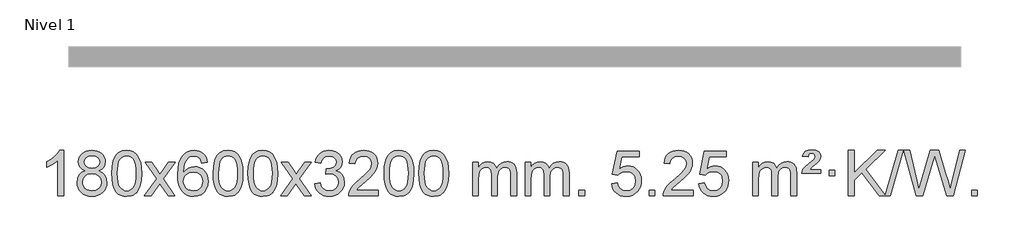
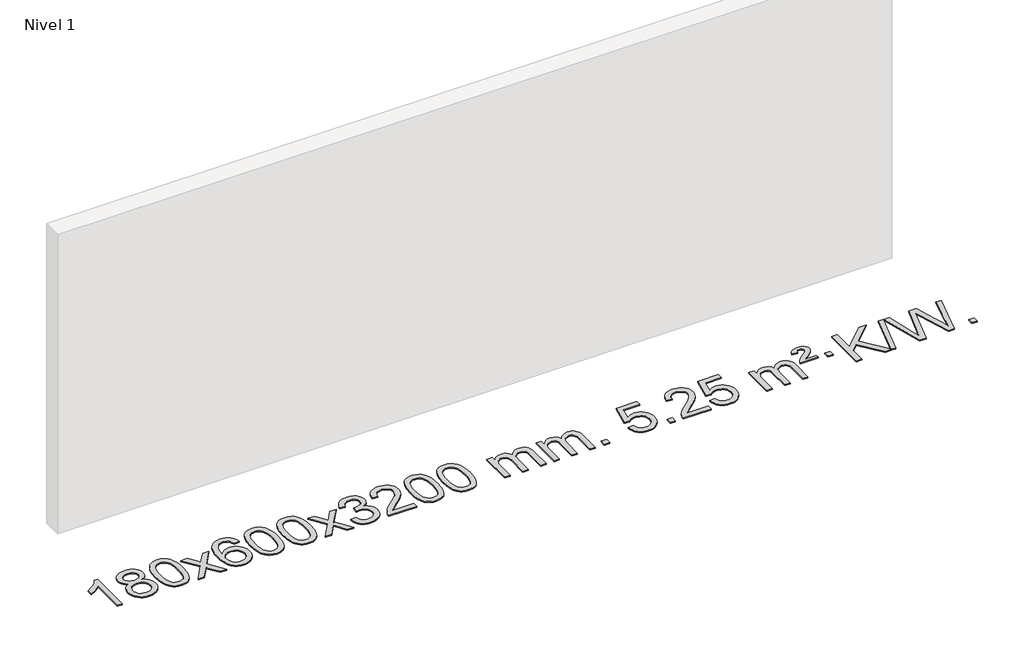
# One storey, part 8 of 16: 1 proxy.
"""IFC4 building model written with IfcOpenShell, lengths in millimetres."""

from ifc_helpers import new_model, si_unit, origin, origin_with_axes, place, context, project, spatial, polyline, outline, extrude, element, save

model = new_model("IFC4")

# Units and contexts
model_context = context("Model", 3, world=origin())
ifc_project = project(units=[si_unit("LENGTHUNIT", "METRE", prefix="MILLI")], contexts=[model_context])

# Site, building, storey
site = spatial("IfcSite", under=ifc_project)
building = spatial("IfcBuilding", under=site)
storey = spatial("IfcBuildingStorey", under=building, Name="Nivel 1", Elevation=0.0)

# Proxy
placement = place(None, origin())
element("IfcBuildingElementProxy", 1, Name="Texto de modelo 1", ObjectType="Texto de modelo 1", at=placement, inside=storey, context=model_context, shape_type="SweptSolid", body=[
    extrude(outline(polyline([(-275.4615788, -21495.579453), (-325.6897338, -21495.579453), (-325.6897338, -21182.4382987), (-346.6590076, -21199.3976587), (-373.2691385, -21216.3324932), (-426.146044, -21241.6918254), (-426.146044, -21194.2105225), (-386.6968314, -21172.7507395), (-352.520594, -21147.219729), (-325.5793692, -21120.0700378), (-307.8351943, -21093.7542124), (-275.4615788, -21093.7542124), (-275.4615788, -21495.579453)])), origin_with_axes(), (0.0, 0.0, 1.0), 10.0),
    extrude(outline(polyline([(-82.9857189, -21274.2616447), (-109.8778927, -21261.0178929), (-128.7502391, -21243.0652515), (-139.8970635, -21220.7716026), (-143.6126717, -21194.5048281), (-141.5893207, -21174.0199324), (-135.5192678, -21155.2395565), (-125.4025129, -21138.1637006), (-111.2390561, -21122.7923645), (-93.709479, -21110.088173), (-73.4943634, -21101.0137504), (-50.5937092, -21095.5690969), (-25.0075164, -21093.7542124), (0.7013036, -21095.6120165), (23.7736361, -21101.1854287), (44.2094809, -21110.4744491), (62.0088381, -21123.4790776), (76.4298124, -21139.1508506), (86.7305082, -21156.4413044), (92.9109257, -21175.3504389), (94.9710649, -21195.8782543), (91.3045077, -21221.2989001), (80.304836, -21243.2124043), (61.8494226, -21261.0546811), (35.8156401, -21274.2616447), (66.7299904, -21290.1909351), (89.2321058, -21313.6495436), (102.9541042, -21343.5092989), (107.5281037, -21378.6420295), (105.259498, -21403.6947933), (98.4536811, -21426.6628926), (87.1106529, -21447.5463272), (71.2304135, -21466.3450971), (51.6468286, -21481.88198), (29.1937642, -21492.9797536), (3.8712202, -21499.6384177), (-24.3208034, -21501.8579724), (-52.512827, -21499.6292206), (-77.835371, -21492.9429654), (-100.2884354, -21481.7992066), (-119.8720203, -21466.1979443), (-135.7522597, -21447.26735), (-147.0952879, -21426.135595), (-153.9011048, -21402.8026795), (-156.1697105, -21377.2686033), (-151.41177, -21340.7747094), (-137.1379486, -21310.7555386), (-114.0840102, -21288.2411605), (-82.9857189, -21274.2616447)]), holes=[polyline([(-93.3845166, -21195.9763561), (-88.9331445, -21217.902123), (-75.5790281, -21235.413306), (-53.7145748, -21246.8912243), (-23.7321922, -21250.717197), (5.5512146, -21246.9157497), (27.0845741, -21235.5114079), (40.3283259, -21218.5888361), (44.7429098, -21198.232699), (40.1811731, -21177.1040098), (26.4959629, -21159.629615), (4.6682978, -21147.8941794), (-24.3208034, -21143.9823675), (-53.4938456, -21147.8083402), (-75.2847225, -21159.2862585), (-88.8595681, -21176.1107284), (-93.3845166, -21195.9763561)]), polyline([(-105.9415554, -21375.5027698), (-103.844628, -21394.7184726), (-97.5538459, -21413.3210389), (-85.9410376, -21429.5446349), (-67.8780316, -21441.623427), (-46.2465703, -21449.1282197), (-23.9283959, -21451.6298173), (10.2601042, -21446.3691048), (24.1537808, -21439.7932141), (35.913742, -21430.5869672), (51.9533969, -21406.6869002), (57.2999486, -21377.0723996), (51.7817187, -21346.9551269), (35.2270289, -21322.5277625), (23.1482367, -21313.0854579), (8.9847799, -21306.3409547), (-25.5961276, -21300.9453521), (-59.3063811, -21306.2673783), (-73.043708, -21312.919911), (-84.7025015, -21322.2334569), (-100.6317919, -21346.1948375), (-105.9415554, -21375.5027698)])]), origin_with_axes(), (0.0, 0.0, 1.0), 10.0),
    extrude(outline(polyline([(151.4777394, -21297.9041943), (155.1688221, -21233.5861588), (166.2420701, -21182.2911459), (184.5871189, -21143.2343407), (196.4451819, -21128.0009605), (210.0936039, -21115.6309284), (225.5783702, -21106.0598651), (242.9454661, -21099.2233914), (283.3266464, -21093.7542124), (314.277785, -21096.991574), (341.9915619, -21106.7036586), (365.1681276, -21122.5103217), (382.5076323, -21144.0314184), (395.6042314, -21171.0830078), (406.05208, -21203.4811488), (412.8946851, -21244.6226186), (415.1755535, -21297.9041943), (411.521259, -21361.8543477), (400.5583756, -21413.0267333), (382.3236913, -21452.1203266), (370.4932195, -21467.3996922), (356.8539945, -21479.8341036), (341.3508341, -21489.4695462), (323.928556, -21496.3520052), (283.3266464, -21501.8579724), (255.6619204, -21499.4667394), (231.1364541, -21492.2930405), (209.7502474, -21480.3368757), (191.5033004, -21463.5982449), (173.9921175, -21433.3399508), (161.4841296, -21395.6381776), (153.9793369, -21350.4929255), (151.4777394, -21297.9041943)]), holes=[polyline([(201.7058944, -21297.8060924), (203.1774224, -21341.4706195), (207.5920064, -21376.8148822), (214.9496463, -21403.8388804), (225.2503421, -21422.5426142), (237.709279, -21435.2682656), (251.5416421, -21444.3580165), (266.7474312, -21449.8118671), (283.3266464, -21451.6298173), (299.9058617, -21449.8057357), (315.1116508, -21444.3334911), (328.9440138, -21435.2130833), (341.4029507, -21422.4445124), (351.7036466, -21403.7101217), (359.0612865, -21376.6922549), (363.4758705, -21341.3909118), (364.9473984, -21297.8060924), (363.5249214, -21255.2973278), (359.2574902, -21220.5753989), (352.145105, -21193.6403055), (342.1877657, -21174.4920476), (329.9372952, -21161.1440625), (315.9455167, -21151.6097875), (300.21243, -21145.8892225), (282.7380352, -21143.9823675), (266.2446591, -21145.6623619), (251.2963874, -21150.7023452), (237.89322, -21159.1023175), (226.0351571, -21170.8622786), (215.3911047, -21191.708925), (207.7882101, -21219.8151094), (203.2264734, -21255.1808319), (201.7058944, -21297.8060924)])]), origin_with_axes(), (0.0, 0.0, 1.0), 10.0),
    extrude(outline(polyline([(440.2896311, -21495.579453), (547.6130718, -21347.2494325), (446.5681504, -21200.4890419), (506.9988995, -21200.4890419), (555.7555266, -21271.122385), (578.5151594, -21304.4770192), (598.2336343, -21277.2047007), (653.7592901, -21200.4890419), (714.1900392, -21200.4890419), (608.0438209, -21347.2494325), (710.2659646, -21495.579453), (649.8352155, -21495.579453), (588.3253459, -21406.4048574), (577.0436314, -21390.1199477), (500.7203801, -21495.579453), (440.2896311, -21495.579453)])), origin_with_axes(), (0.0, 0.0, 1.0), 10.0),
    extrude(outline(polyline([(999.0778563, -21200.4890419), (948.8497012, -21206.7675613), (940.7562973, -21181.874213), (929.8179393, -21164.8780648), (907.0337811, -21149.2062918), (879.4916824, -21143.9823675), (856.1434384, -21147.0235253), (834.1686206, -21156.1469988), (815.2962742, -21175.3627017), (799.8820186, -21201.8134171), (789.4709581, -21239.227016), (785.6081972, -21291.3313693), (805.7558678, -21267.8237098), (829.9011894, -21251.2567573), (856.6952614, -21241.434308), (884.7891831, -21238.1601582), (908.922242, -21240.398107), (931.1913654, -21247.1119534), (951.5965534, -21258.3016975), (970.137806, -21273.9673391), (985.5459302, -21293.1769106), (996.5517332, -21314.9984443), (1003.155215, -21339.4319401), (1005.3563756, -21366.4773982), (1001.2115718, -21402.4439945), (988.7771604, -21435.786366), (969.0832109, -21464.0642287), (943.159793, -21484.8372987), (912.184129, -21497.602804), (877.3334413, -21501.8579724), (847.3909126, -21499.0375437), (820.3485203, -21490.5762579), (796.2062643, -21476.4741147), (774.9641448, -21456.7311143), (757.6460999, -21430.5133908), (745.2760678, -21396.9870783), (737.8540485, -21356.1521768), (735.3800421, -21308.0086864), (738.1268943, -21254.0342663), (746.367451, -21207.9693092), (760.1017122, -21169.8138149), (779.3296778, -21139.5677835), (800.1701928, -21119.5243462), (824.3339085, -21105.2076052), (851.820825, -21096.6175606), (882.6309421, -21093.7542124), (905.7645882, -21095.5261773), (926.7032051, -21100.8420722), (945.4467927, -21109.7018969), (961.9953511, -21122.1056515), (975.9012906, -21137.6364031), (986.7170212, -21155.8772186), (994.4425431, -21176.8280983), (999.0778563, -21200.4890419)]), holes=[polyline([(785.6081972, -21365.6925832), (788.514465, -21387.9494439), (797.2332682, -21409.2007605), (810.7713257, -21427.472233), (828.1353558, -21440.7895612), (849.0923668, -21448.9197533), (873.4093667, -21451.6298173), (906.5555345, -21446.0134855), (920.4706709, -21438.9930708), (932.6138425, -21429.1644901), (942.4638829, -21416.9262824), (949.499626, -21402.6769865), (955.1282206, -21368.1451299), (949.5732024, -21334.9989621), (942.6294298, -21321.3781312), (932.9081481, -21309.725469), (920.7281883, -21300.3904634), (906.4083817, -21293.7226022), (871.3492275, -21288.3883133), (838.2521107, -21293.7226022), (810.5751219, -21309.725469), (799.6520924, -21321.2248471), (791.8499284, -21334.3858254), (787.16863, -21349.2084042), (785.6081972, -21365.6925832)])]), origin_with_axes(), (0.0, 0.0, 1.0), 10.0),
    extrude(outline(polyline([(1049.3060113, -21297.9041943), (1052.997094, -21233.5861588), (1064.0703421, -21182.2911459), (1082.4153909, -21143.2343407), (1094.2734539, -21128.0009605), (1107.9218759, -21115.6309284), (1123.4066422, -21106.0598651), (1140.7737381, -21099.2233914), (1181.1549184, -21093.7542124), (1212.1060569, -21096.991574), (1239.8198339, -21106.7036586), (1262.9963996, -21122.5103217), (1280.3359043, -21144.0314184), (1293.4325033, -21171.0830078), (1303.880352, -21203.4811488), (1310.7229571, -21244.6226186), (1313.0038255, -21297.9041943), (1309.349531, -21361.8543477), (1298.3866475, -21413.0267333), (1280.1519633, -21452.1203266), (1268.3214915, -21467.3996922), (1254.6822665, -21479.8341036), (1239.1791061, -21489.4695462), (1221.7568279, -21496.3520052), (1181.1549184, -21501.8579724), (1153.4901924, -21499.4667394), (1128.964726, -21492.2930405), (1107.5785194, -21480.3368757), (1089.3315724, -21463.5982449), (1071.8203894, -21433.3399508), (1059.3124016, -21395.6381776), (1051.8076089, -21350.4929255), (1049.3060113, -21297.9041943)]), holes=[polyline([(1099.5341664, -21297.8060924), (1101.0056944, -21341.4706195), (1105.4202783, -21376.8148822), (1112.7779182, -21403.8388804), (1123.0786141, -21422.5426142), (1135.537551, -21435.2682656), (1149.369914, -21444.3580165), (1164.5757032, -21449.8118671), (1181.1549184, -21451.6298173), (1197.7341337, -21449.8057357), (1212.9399228, -21444.3334911), (1226.7722858, -21435.2130833), (1239.2312227, -21422.4445124), (1249.5319186, -21403.7101217), (1256.8895585, -21376.6922549), (1261.3041424, -21341.3909118), (1262.7756704, -21297.8060924), (1261.3531934, -21255.2973278), (1257.0857622, -21220.5753989), (1249.973377, -21193.6403055), (1240.0160376, -21174.4920476), (1227.7655672, -21161.1440625), (1213.7737886, -21151.6097875), (1198.040702, -21145.8892225), (1180.5663072, -21143.9823675), (1164.0729311, -21145.6623619), (1149.1246594, -21150.7023452), (1135.721492, -21159.1023175), (1123.863429, -21170.8622786), (1113.2193766, -21191.708925), (1105.6164821, -21219.8151094), (1101.0547453, -21255.1808319), (1099.5341664, -21297.8060924)])]), origin_with_axes(), (0.0, 0.0, 1.0), 10.0),
    extrude(outline(polyline([(1356.9534612, -21297.9041943), (1360.6445439, -21233.5861588), (1371.7177919, -21182.2911459), (1390.0628407, -21143.2343407), (1401.9209037, -21128.0009605), (1415.5693257, -21115.6309284), (1431.054092, -21106.0598651), (1448.4211879, -21099.2233914), (1488.8023682, -21093.7542124), (1519.7535068, -21096.991574), (1547.4672837, -21106.7036586), (1570.6438494, -21122.5103217), (1587.9833541, -21144.0314184), (1601.0799532, -21171.0830078), (1611.5278018, -21203.4811488), (1618.3704069, -21244.6226186), (1620.6512753, -21297.9041943), (1616.9969808, -21361.8543477), (1606.0340974, -21413.0267333), (1587.7994131, -21452.1203266), (1575.9689413, -21467.3996922), (1562.3297163, -21479.8341036), (1546.8265559, -21489.4695462), (1529.4042778, -21496.3520052), (1488.8023682, -21501.8579724), (1461.1376422, -21499.4667394), (1436.6121759, -21492.2930405), (1415.2259692, -21480.3368757), (1396.9790222, -21463.5982449), (1379.4678393, -21433.3399508), (1366.9598514, -21395.6381776), (1359.4550587, -21350.4929255), (1356.9534612, -21297.9041943)]), holes=[polyline([(1407.1816162, -21297.8060924), (1408.6531442, -21341.4706195), (1413.0677282, -21376.8148822), (1420.4253681, -21403.8388804), (1430.7260639, -21422.5426142), (1443.1850008, -21435.2682656), (1457.0173639, -21444.3580165), (1472.223153, -21449.8118671), (1488.8023682, -21451.6298173), (1505.3815835, -21449.8057357), (1520.5873726, -21444.3334911), (1534.4197356, -21435.2130833), (1546.8786725, -21422.4445124), (1557.1793684, -21403.7101217), (1564.5370083, -21376.6922549), (1568.9515923, -21341.3909118), (1570.4231202, -21297.8060924), (1569.0006432, -21255.2973278), (1564.733212, -21220.5753989), (1557.6208268, -21193.6403055), (1547.6634875, -21174.4920476), (1535.413017, -21161.1440625), (1521.4212385, -21151.6097875), (1505.6881518, -21145.8892225), (1488.213757, -21143.9823675), (1471.7203809, -21145.6623619), (1456.7721092, -21150.7023452), (1443.3689418, -21159.1023175), (1431.5108789, -21170.8622786), (1420.8668265, -21191.708925), (1413.2639319, -21219.8151094), (1408.7021952, -21255.1808319), (1407.1816162, -21297.8060924)])]), origin_with_axes(), (0.0, 0.0, 1.0), 10.0),
    extrude(outline(polyline([(1645.7653528, -21495.579453), (1753.0887936, -21347.2494325), (1652.0438722, -21200.4890419), (1712.4746213, -21200.4890419), (1761.2312484, -21271.122385), (1783.9908812, -21304.4770192), (1803.7093561, -21277.2047007), (1859.2350119, -21200.4890419), (1919.665761, -21200.4890419), (1813.5195426, -21347.2494325), (1915.7416864, -21495.579453), (1855.3109373, -21495.579453), (1793.8010677, -21406.4048574), (1782.5193532, -21390.1199477), (1706.1961019, -21495.579453), (1645.7653528, -21495.579453)])), origin_with_axes(), (0.0, 0.0, 1.0), 10.0),
    extrude(outline(polyline([(1947.1342833, -21388.8446235), (1997.3624384, -21382.5661041), (2008.6073647, -21414.1303793), (2025.0762153, -21435.4430095), (2047.5783307, -21447.5831154), (2076.9230512, -21451.6298173), (2111.3568059, -21446.0625364), (2125.6306274, -21439.1034354), (2137.9424115, -21429.3606939), (2154.9385596, -21404.4428201), (2160.6039424, -21374.2274455), (2154.9876106, -21345.5449126), (2138.1386152, -21322.2825078), (2112.6321302, -21306.8682522), (2081.0433295, -21301.730167), (2045.8247599, -21307.2238715), (2051.4165662, -21256.9957164), (2059.4609192, -21257.5843276), (2089.5536664, -21253.979084), (2116.4581029, -21243.1633534), (2127.531351, -21234.9841103), (2135.4408139, -21224.8673555), (2140.1864916, -21212.8130888), (2141.7683842, -21198.8213102), (2137.182122, -21177.1285352), (2123.4233354, -21159.5315131), (2102.4295362, -21147.8696539), (2076.1382363, -21143.9823675), (2049.7978854, -21147.9064421), (2028.264526, -21159.6786659), (2012.543702, -21179.299039), (2003.6409578, -21206.7675613), (1953.4128027, -21200.4890419), (1959.3663596, -21176.5092672), (1968.2016589, -21155.3867093), (1979.9187004, -21137.1213683), (1994.5174843, -21121.713244), (2011.5381579, -21109.4811677), (2030.5208689, -21100.7439703), (2051.4656171, -21095.5016519), (2074.3724027, -21093.7542124), (2105.9489406, -21097.2000404), (2134.9503046, -21107.5375245), (2159.4021945, -21123.8469596), (2177.3303104, -21145.2086408), (2188.3299821, -21169.8199463), (2191.9965393, -21195.8782543), (2188.5139231, -21220.1584659), (2178.0660744, -21242.1823347), (2160.8001461, -21260.9443165), (2136.8632909, -21275.4388671), (2168.3049388, -21288.1430586), (2191.6041318, -21309.77452), (2206.025106, -21339.1560286), (2210.8320974, -21375.1103623), (2208.4286017, -21400.5923218), (2201.2181146, -21424.0631931), (2189.2006361, -21445.5229762), (2172.3761662, -21464.971671), (2151.8790077, -21481.1094278), (2128.8434634, -21492.636397), (2103.2695334, -21499.5525785), (2075.1572176, -21501.8579724), (2049.7488345, -21499.8898037), (2026.5967943, -21493.9852977), (2005.7010969, -21484.1444543), (1987.0617425, -21470.3672736), (1971.4328891, -21453.4630959), (1959.5686947, -21434.2412617), (1951.4691595, -21412.7017708), (1947.1342833, -21388.8446235)])), origin_with_axes(), (0.0, 0.0, 1.0), 10.0),
    extrude(outline(polyline([(2512.2010279, -21445.3512979), (2512.2010279, -21495.579453), (2248.5032137, -21495.579453), (2249.6068597, -21477.8965918), (2253.8988163, -21460.9494945), (2266.2841768, -21433.8856424), (2284.4084965, -21407.6311307), (2310.62622, -21380.1503456), (2347.2917922, -21349.4076736), (2401.4930728, -21301.2641831), (2434.0138412, -21265.7267824), (2450.2742254, -21236.884834), (2455.6943534, -21208.8277005), (2450.5807937, -21183.6768347), (2435.2401145, -21162.7688747), (2411.6588786, -21148.6789943), (2381.8236488, -21143.9823675), (2350.4923655, -21148.5686297), (2326.1508402, -21162.3274163), (2310.442279, -21184.1796068), (2305.0098882, -21213.0460807), (2254.7817331, -21206.7675613), (2259.1012809, -21180.838012), (2266.9586272, -21158.1826125), (2278.353772, -21138.8013627), (2293.2867153, -21122.6942627), (2311.4141006, -21110.0329907), (2332.3925714, -21100.989225), (2356.2221276, -21095.5629655), (2382.9027693, -21093.7542124), (2409.8225343, -21095.7653006), (2433.7808492, -21101.7985654), (2454.7777141, -21111.8540066), (2472.8131289, -21125.9316242), (2487.2984825, -21142.9890861), (2497.6451636, -21161.9840598), (2503.8531723, -21182.9165453), (2505.9225085, -21205.7865427), (2503.6906911, -21229.8092369), (2496.9952388, -21253.4149983), (2485.1126503, -21277.4254299), (2467.3194245, -21302.6621347), (2438.9557226, -21332.7916701), (2395.3617062, -21371.4805933), (2337.5797075, -21419.795762), (2314.9181766, -21445.3512979), (2512.2010279, -21445.3512979)])), origin_with_axes(), (0.0, 0.0, 1.0), 10.0),
    extrude(outline(polyline([(2562.429183, -21297.9041943), (2566.1202656, -21233.5861588), (2577.1935137, -21182.2911459), (2595.5385625, -21143.2343407), (2607.3966255, -21128.0009605), (2621.0450475, -21115.6309284), (2636.5298138, -21106.0598651), (2653.8969097, -21099.2233914), (2694.27809, -21093.7542124), (2725.2292286, -21096.991574), (2752.9430055, -21106.7036586), (2776.1195712, -21122.5103217), (2793.4590759, -21144.0314184), (2806.555675, -21171.0830078), (2817.0035236, -21203.4811488), (2823.8461287, -21244.6226186), (2826.1269971, -21297.9041943), (2822.4727026, -21361.8543477), (2811.5098192, -21413.0267333), (2793.2751349, -21452.1203266), (2781.4446631, -21467.3996922), (2767.8054381, -21479.8341036), (2752.3022777, -21489.4695462), (2734.8799996, -21496.3520052), (2694.27809, -21501.8579724), (2666.613364, -21499.4667394), (2642.0878976, -21492.2930405), (2620.701691, -21480.3368757), (2602.454744, -21463.5982449), (2584.9435611, -21433.3399508), (2572.4355732, -21395.6381776), (2564.9307805, -21350.4929255), (2562.429183, -21297.9041943)]), holes=[polyline([(2612.657338, -21297.8060924), (2614.128866, -21341.4706195), (2618.54345, -21376.8148822), (2625.9010899, -21403.8388804), (2636.2017857, -21422.5426142), (2648.6607226, -21435.2682656), (2662.4930856, -21444.3580165), (2677.6988748, -21449.8118671), (2694.27809, -21451.6298173), (2710.8573053, -21449.8057357), (2726.0630944, -21444.3334911), (2739.8954574, -21435.2130833), (2752.3543943, -21422.4445124), (2762.6550902, -21403.7101217), (2770.0127301, -21376.6922549), (2774.427314, -21341.3909118), (2775.898842, -21297.8060924), (2774.476365, -21255.2973278), (2770.2089338, -21220.5753989), (2763.0965486, -21193.6403055), (2753.1392093, -21174.4920476), (2740.8887388, -21161.1440625), (2726.8969603, -21151.6097875), (2711.1638736, -21145.8892225), (2693.6894788, -21143.9823675), (2677.1961027, -21145.6623619), (2662.247831, -21150.7023452), (2648.8446636, -21159.1023175), (2636.9866007, -21170.8622786), (2626.3425483, -21191.708925), (2618.7396537, -21219.8151094), (2614.1779169, -21255.1808319), (2612.657338, -21297.8060924)])]), origin_with_axes(), (0.0, 0.0, 1.0), 10.0),
    extrude(outline(polyline([(2870.0766328, -21297.9041943), (2873.7677155, -21233.5861588), (2884.8409635, -21182.2911459), (2903.1860124, -21143.2343407), (2915.0440753, -21128.0009605), (2928.6924974, -21115.6309284), (2944.1772637, -21106.0598651), (2961.5443595, -21099.2233914), (3001.9255399, -21093.7542124), (3032.8766784, -21096.991574), (3060.5904554, -21106.7036586), (3083.7670211, -21122.5103217), (3101.1065258, -21144.0314184), (3114.2031248, -21171.0830078), (3124.6509735, -21203.4811488), (3131.4935786, -21244.6226186), (3133.7744469, -21297.9041943), (3130.1201525, -21361.8543477), (3119.157269, -21413.0267333), (3100.9225848, -21452.1203266), (3089.0921129, -21467.3996922), (3075.452888, -21479.8341036), (3059.9497276, -21489.4695462), (3042.5274494, -21496.3520052), (3001.9255399, -21501.8579724), (2974.2608138, -21499.4667394), (2949.7353475, -21492.2930405), (2928.3491408, -21480.3368757), (2910.1021939, -21463.5982449), (2892.5910109, -21433.3399508), (2880.0830231, -21395.6381776), (2872.5782304, -21350.4929255), (2870.0766328, -21297.9041943)]), holes=[polyline([(2920.3047879, -21297.8060924), (2921.7763158, -21341.4706195), (2926.1908998, -21376.8148822), (2933.5485397, -21403.8388804), (2943.8492356, -21422.5426142), (2956.3081725, -21435.2682656), (2970.1405355, -21444.3580165), (2985.3463246, -21449.8118671), (3001.9255399, -21451.6298173), (3018.5047551, -21449.8057357), (3033.7105442, -21444.3334911), (3047.5429073, -21435.2130833), (3060.0018442, -21422.4445124), (3070.30254, -21403.7101217), (3077.6601799, -21376.6922549), (3082.0747639, -21341.3909118), (3083.5462919, -21297.8060924), (3082.1238148, -21255.2973278), (3077.8563837, -21220.5753989), (3070.7439984, -21193.6403055), (3060.7866591, -21174.4920476), (3048.5361887, -21161.1440625), (3034.5444101, -21151.6097875), (3018.8113234, -21145.8892225), (3001.3369287, -21143.9823675), (2984.8435526, -21145.6623619), (2969.8952808, -21150.7023452), (2956.4921135, -21159.1023175), (2944.6340505, -21170.8622786), (2933.9899981, -21191.708925), (2926.3871035, -21219.8151094), (2921.8253668, -21255.1808319), (2920.3047879, -21297.8060924)])]), origin_with_axes(), (0.0, 0.0, 1.0), 10.0),
    extrude(outline(polyline([(3347.244106, -21495.579453), (3347.244106, -21200.4890419), (3397.4722611, -21200.4890419), (3397.4722611, -21249.0494653), (3412.5799483, -21226.7435537), (3432.0041177, -21209.2691589), (3455.0825815, -21197.9751816), (3481.1531522, -21194.2105225), (3509.0876584, -21198.048758), (3531.4794092, -21209.5634645), (3548.2057772, -21227.9943524), (3559.1441352, -21252.5811324), (3577.4523959, -21227.0439906), (3598.3358304, -21208.803175), (3621.794439, -21197.8586857), (3647.8282215, -21194.2105225), (3667.9360383, -21195.7280358), (3685.585177, -21200.2805755), (3700.7756377, -21207.8681416), (3713.5074204, -21218.4907342), (3723.5720587, -21232.2709806), (3730.761086, -21249.3315082), (3735.0745024, -21269.6723168), (3736.5123078, -21293.2934066), (3736.5123078, -21495.579453), (3686.2841528, -21495.579453), (3686.2841528, -21314.875817), (3685.1191931, -21289.8230531), (3681.6243142, -21272.9372695), (3675.0760146, -21261.3735121), (3664.7507933, -21252.2868268), (3651.4702533, -21246.4007149), (3636.0559977, -21244.4386776), (3608.8449928, -21249.4663982), (3586.6617085, -21264.54956), (3578.0563355, -21276.1194488), (3571.9096405, -21290.7182326), (3566.9922845, -21329.0024856), (3566.9922845, -21495.579453), (3516.7641294, -21495.579453), (3516.7641294, -21309.2840106), (3513.8578616, -21280.8835206), (3505.1390583, -21260.6254854), (3489.7983791, -21248.4853796), (3467.0264836, -21244.4386776), (3447.6758907, -21247.1364789), (3429.8458767, -21255.2298828), (3415.1305968, -21268.5226856), (3405.1242066, -21286.8186835), (3399.3852475, -21312.2025411), (3397.4722611, -21346.7589232), (3397.4722611, -21495.579453), (3347.244106, -21495.579453)])), origin_with_axes(), (0.0, 0.0, 1.0), 10.0),
    extrude(outline(polyline([(3811.8545404, -21495.579453), (3811.8545404, -21200.4890419), (3862.0826955, -21200.4890419), (3862.0826955, -21249.0494653), (3877.1903828, -21226.7435537), (3896.6145521, -21209.2691589), (3919.693016, -21197.9751816), (3945.7635867, -21194.2105225), (3973.6980929, -21198.048758), (3996.0898436, -21209.5634645), (4012.8162117, -21227.9943524), (4023.7545697, -21252.5811324), (4042.0628303, -21227.0439906), (4062.9462649, -21208.803175), (4086.4048734, -21197.8586857), (4112.438656, -21194.2105225), (4132.5464727, -21195.7280358), (4150.1956114, -21200.2805755), (4165.3860721, -21207.8681416), (4178.1178548, -21218.4907342), (4188.1824931, -21232.2709806), (4195.3715204, -21249.3315082), (4199.6849368, -21269.6723168), (4201.1227423, -21293.2934066), (4201.1227423, -21495.579453), (4150.8945872, -21495.579453), (4150.8945872, -21314.875817), (4149.7296276, -21289.8230531), (4146.2347486, -21272.9372695), (4139.6864491, -21261.3735121), (4129.3612278, -21252.2868268), (4116.0806877, -21246.4007149), (4100.6664321, -21244.4386776), (4073.4554272, -21249.4663982), (4051.2721429, -21264.54956), (4042.6667699, -21276.1194488), (4036.5200749, -21290.7182326), (4031.6027189, -21329.0024856), (4031.6027189, -21495.579453), (3981.3745638, -21495.579453), (3981.3745638, -21309.2840106), (3978.4682961, -21280.8835206), (3969.7494928, -21260.6254854), (3954.4088136, -21248.4853796), (3931.6369181, -21244.4386776), (3912.2863251, -21247.1364789), (3894.4563111, -21255.2298828), (3879.7410313, -21268.5226856), (3869.734641, -21286.8186835), (3863.9956819, -21312.2025411), (3862.0826955, -21346.7589232), (3862.0826955, -21495.579453), (3811.8545404, -21495.579453)])), origin_with_axes(), (0.0, 0.0, 1.0), 10.0),
    extrude(outline(polyline([(4289.0220137, -21495.579453), (4289.0220137, -21445.3512979), (4339.2501687, -21445.3512979), (4339.2501687, -21495.579453), (4289.0220137, -21495.579453)])), origin_with_axes(), (0.0, 0.0, 1.0), 10.0),
    extrude(outline(polyline([(4577.8339053, -21388.8446235), (4628.0620604, -21382.5661041), (4637.2836358, -21412.7201649), (4653.3723417, -21434.3148381), (4676.2546018, -21447.3010725), (4705.8568397, -21451.6298173), (4724.9867034, -21450.1245668), (4741.8602243, -21445.6088153), (4756.4774022, -21438.0825628), (4768.8382372, -21427.5458094), (4778.6668179, -21414.519721), (4785.6872326, -21399.5254641), (4791.3035644, -21363.6324441), (4786.0428519, -21329.8363514), (4779.4669612, -21315.9181493), (4770.2607143, -21303.9865099), (4758.3934543, -21294.4154467), (4743.8345243, -21287.5789729), (4706.6416546, -21282.1097939), (4682.2756038, -21284.2925604), (4662.5448661, -21290.8408599), (4646.787254, -21300.8717757), (4634.3405798, -21313.5023908), (4584.1124247, -21307.2238715), (4628.0620604, -21100.0327318), (4822.6961613, -21100.0327318), (4822.6961613, -21150.2608869), (4668.6762327, -21150.2608869), (4647.1919242, -21260.919791), (4664.917705, -21248.2155994), (4683.0726814, -21239.1411769), (4701.6568535, -21233.6965234), (4720.6702213, -21231.8816388), (4745.1313083, -21234.1318504), (4767.5997012, -21240.882485), (4788.0753999, -21252.1335427), (4806.5584045, -21267.8850234), (4821.8592298, -21287.1743027), (4832.7883907, -21309.038756), (4839.3458873, -21333.4783832), (4841.5317195, -21360.4931844), (4839.5635508, -21386.5147042), (4833.6590448, -21410.7213394), (4823.8182014, -21433.1130902), (4810.0410207, -21453.6899565), (4789.1698488, -21474.7634634), (4764.8160608, -21489.8159684), (4736.9796565, -21498.8474714), (4705.6606359, -21501.8579724), (4679.7402837, -21499.9235262), (4656.3276604, -21494.1201877), (4635.422766, -21484.447957), (4617.0256006, -21470.9068338), (4601.7186439, -21454.1712688), (4590.0843758, -21434.915712), (4582.1227963, -21413.1401636), (4577.8339053, -21388.8446235)])), origin_with_axes(), (0.0, 0.0, 1.0), 10.0),
    extrude(outline(polyline([(4910.5954327, -21495.579453), (4910.5954327, -21445.3512979), (4960.8235878, -21445.3512979), (4960.8235878, -21495.579453), (4910.5954327, -21495.579453)])), origin_with_axes(), (0.0, 0.0, 1.0), 10.0),
    extrude(outline(polyline([(5299.8636345, -21445.3512979), (5299.8636345, -21495.579453), (5036.1658204, -21495.579453), (5037.2694664, -21477.8965918), (5041.561423, -21460.9494945), (5053.9467835, -21433.8856424), (5072.0711031, -21407.6311307), (5098.2888266, -21380.1503456), (5134.9543988, -21349.4076736), (5189.1556795, -21301.2641831), (5221.6764478, -21265.7267824), (5237.936832, -21236.884834), (5243.3569601, -21208.8277005), (5238.2434003, -21183.6768347), (5222.9027211, -21162.7688747), (5199.3214853, -21148.6789943), (5169.4862554, -21143.9823675), (5138.1549722, -21148.5686297), (5113.8134468, -21162.3274163), (5098.1048856, -21184.1796068), (5092.6724949, -21213.0460807), (5042.4443398, -21206.7675613), (5046.7638875, -21180.838012), (5054.6212338, -21158.1826125), (5066.0163786, -21138.8013627), (5080.9493219, -21122.6942627), (5099.0767073, -21110.0329907), (5120.055178, -21100.989225), (5143.8847343, -21095.5629655), (5170.565376, -21093.7542124), (5197.485141, -21095.7653006), (5221.4434559, -21101.7985654), (5242.4403208, -21111.8540066), (5260.4757356, -21125.9316242), (5274.9610891, -21142.9890861), (5285.3077703, -21161.9840598), (5291.5157789, -21182.9165453), (5293.5851152, -21205.7865427), (5291.3532977, -21229.8092369), (5284.6578454, -21253.4149983), (5272.775257, -21277.4254299), (5254.9820311, -21302.6621347), (5226.6183293, -21332.7916701), (5183.0243129, -21371.4805933), (5125.2423142, -21419.795762), (5102.5807833, -21445.3512979), (5299.8636345, -21445.3512979)])), origin_with_axes(), (0.0, 0.0, 1.0), 10.0),
    extrude(outline(polyline([(5350.0917896, -21388.8446235), (5400.3199447, -21382.5661041), (5409.54152, -21412.7201649), (5425.630226, -21434.3148381), (5448.5124861, -21447.3010725), (5478.1147239, -21451.6298173), (5497.2445877, -21450.1245668), (5514.1181085, -21445.6088153), (5528.7352865, -21438.0825628), (5541.0961215, -21427.5458094), (5550.9247021, -21414.519721), (5557.9451169, -21399.5254641), (5563.5614487, -21363.6324441), (5558.3007361, -21329.8363514), (5551.7248455, -21315.9181493), (5542.5185986, -21303.9865099), (5530.6513385, -21294.4154467), (5516.0924086, -21287.5789729), (5478.8995389, -21282.1097939), (5454.533488, -21284.2925604), (5434.8027504, -21290.8408599), (5419.0451382, -21300.8717757), (5406.5984641, -21313.5023908), (5356.370309, -21307.2238715), (5400.3199447, -21100.0327318), (5594.9540456, -21100.0327318), (5594.9540456, -21150.2608869), (5440.934117, -21150.2608869), (5419.4498084, -21260.919791), (5437.1755892, -21248.2155994), (5455.3305657, -21239.1411769), (5473.9147378, -21233.6965234), (5492.9281056, -21231.8816388), (5517.3891926, -21234.1318504), (5539.8575855, -21240.882485), (5560.3332842, -21252.1335427), (5578.8162887, -21267.8850234), (5594.1171141, -21287.1743027), (5605.046275, -21309.038756), (5611.6037716, -21333.4783832), (5613.7896038, -21360.4931844), (5611.8214351, -21386.5147042), (5605.9169291, -21410.7213394), (5596.0760857, -21433.1130902), (5582.298905, -21453.6899565), (5561.4277331, -21474.7634634), (5537.073945, -21489.8159684), (5509.2375407, -21498.8474714), (5477.9185202, -21501.8579724), (5451.998168, -21499.9235262), (5428.5855447, -21494.1201877), (5407.6806503, -21484.447957), (5389.2834848, -21470.9068338), (5373.9765281, -21454.1712688), (5362.3422601, -21434.915712), (5354.3806805, -21413.1401636), (5350.0917896, -21388.8446235)])), origin_with_axes(), (0.0, 0.0, 1.0), 10.0),
    extrude(outline(polyline([(5827.2592628, -21495.579453), (5827.2592628, -21200.4890419), (5877.4874179, -21200.4890419), (5877.4874179, -21249.0494653), (5892.5951052, -21226.7435537), (5912.0192745, -21209.2691589), (5935.0977383, -21197.9751816), (5961.1683091, -21194.2105225), (5989.1028152, -21198.048758), (6011.494566, -21209.5634645), (6028.2209341, -21227.9943524), (6039.159292, -21252.5811324), (6057.4675527, -21227.0439906), (6078.3509873, -21208.803175), (6101.8095958, -21197.8586857), (6127.8433783, -21194.2105225), (6147.9511951, -21195.7280358), (6165.6003338, -21200.2805755), (6180.7907945, -21207.8681416), (6193.5225772, -21218.4907342), (6203.5872155, -21232.2709806), (6210.7762428, -21249.3315082), (6215.0896592, -21269.6723168), (6216.5274647, -21293.2934066), (6216.5274647, -21495.579453), (6166.2993096, -21495.579453), (6166.2993096, -21314.875817), (6165.1343499, -21289.8230531), (6161.639471, -21272.9372695), (6155.0911715, -21261.3735121), (6144.7659501, -21252.2868268), (6131.4854101, -21246.4007149), (6116.0711545, -21244.4386776), (6088.8601496, -21249.4663982), (6066.6768653, -21264.54956), (6058.0714923, -21276.1194488), (6051.9247973, -21290.7182326), (6047.0074413, -21329.0024856), (6047.0074413, -21495.579453), (5996.7792862, -21495.579453), (5996.7792862, -21309.2840106), (5993.8730184, -21280.8835206), (5985.1542152, -21260.6254854), (5969.813536, -21248.4853796), (5947.0416405, -21244.4386776), (5927.6910475, -21247.1364789), (5909.8610335, -21255.2298828), (5895.1457537, -21268.5226856), (5885.1393634, -21286.8186835), (5879.4004043, -21312.2025411), (5877.4874179, -21346.7589232), (5877.4874179, -21495.579453), (5827.2592628, -21495.579453)])), origin_with_axes(), (0.0, 0.0, 1.0), 10.0),
    extrude(outline(polyline([(6260.4771003, -21294.6668327), (6264.3030731, -21278.8479069), (6272.6417317, -21262.9799302), (6294.1505656, -21237.8413272), (6326.1072483, -21210.1030247), (6370.2530877, -21172.726214), (6377.3899984, -21161.1992448), (6379.7689686, -21149.3779701), (6377.8805077, -21137.2869152), (6372.215125, -21127.5012541), (6362.8463969, -21121.026531), (6349.8478997, -21118.8682899), (6337.4134883, -21120.4869707), (6328.5597949, -21125.343013), (6322.1341227, -21134.8098431), (6316.9837748, -21150.2608869), (6266.7556197, -21143.9823675), (6277.5958759, -21118.7701881), (6294.224142, -21101.2099542), (6317.9893189, -21090.9092583), (6350.2403072, -21087.475693), (6386.0229626, -21091.6082341), (6410.7691581, -21104.0058573), (6425.1901323, -21122.3386434), (6429.9971237, -21144.2766731), (6425.9013708, -21167.1834586), (6413.6141122, -21188.8149199), (6393.0862969, -21208.6314968), (6356.6169284, -21236.6886303), (6331.0123416, -21263.2742358), (6429.9971237, -21263.2742358), (6429.9971237, -21294.6668327), (6260.4771003, -21294.6668327)])), origin_with_axes(), (0.0, 0.0, 1.0), 10.0),
    extrude(outline(polyline([(6505.3393563, -21319.7809102), (6505.3393563, -21269.5527552), (6555.5675114, -21269.5527552), (6555.5675114, -21319.7809102), (6505.3393563, -21319.7809102)])), origin_with_axes(), (0.0, 0.0, 1.0), 10.0),
    extrude(outline(polyline([(6946.2091394, -21495.579453), (6792.7778219, -21292.9009991), (6725.0875348, -21357.4520265), (6725.0875348, -21495.579453), (6674.8593797, -21495.579453), (6674.8593797, -21093.7542124), (6725.0875348, -21093.7542124), (6725.0875348, -21290.4484525), (6931.1014521, -21093.7542124), (7001.3423877, -21093.7542124), (6828.388799, -21258.9577537), (7003.0424089, -21489.5349332), (7114.3557366, -21093.7542124), (7159.6787984, -21093.7542124), (7046.6654495, -21495.579453), (7007.6209071, -21495.579453), (7001.3423877, -21495.579453), (6946.2091394, -21495.579453)])), origin_with_axes(), (0.0, 0.0, 1.0), 10.0),
    extrude(outline(polyline([(7274.1636753, -21495.579453), (7164.5838917, -21093.7542124), (7216.3816766, -21093.7542124), (7279.9516854, -21357.844434), (7299.5720585, -21439.3670841), (7320.5658576, -21367.2622131), (7400.2245723, -21093.7542124), (7474.8800919, -21093.7542124), (7532.7601925, -21292.0180823), (7557.5554389, -21365.5944814), (7575.8269114, -21439.3670841), (7594.8586732, -21360.1988788), (7659.0172932, -21093.7542124), (7710.8150781, -21093.7542124), (7601.1371926, -21495.579453), (7547.4754723, -21495.579453), (7451.1394405, -21185.5775584), (7437.6994849, -21142.3146358), (7422.5917976, -21194.4067263), (7334.7906281, -21495.579453), (7274.1636753, -21495.579453)])), origin_with_axes(), (0.0, 0.0, 1.0), 10.0),
    extrude(outline(polyline([(7767.3217526, -21495.579453), (7767.3217526, -21445.3512979), (7817.5499077, -21445.3512979), (7817.5499077, -21495.579453), (7767.3217526, -21495.579453)])), origin_with_axes(), (0.0, 0.0, 1.0), 10.0),
])

save(model, "model.ifc")
